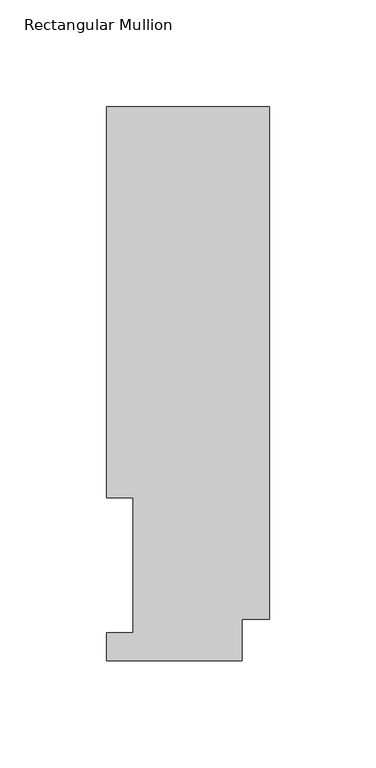
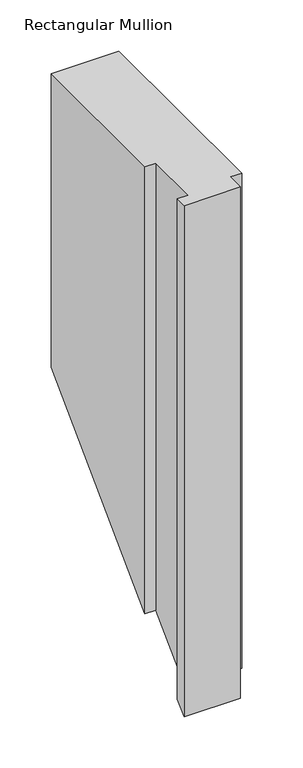
"""IFC4 building model written with IfcOpenShell, lengths in millimetres: member geometry, Rectangular Mullion."""

from ifc_helpers import new_model, si_unit, origin, place, context, project, spatial, faceted_brep, source, transform, mapped, element, save


def rectangular_mullion_d2f6b317(model_context):
    return source(origin(), model_context, "Body", "Brep", [
        faceted_brep([(0.0, 19.5088257, 0.0), (0.0, 259.4586188, 0.0), (-76.2, 259.4586188, 0.0), (-76.2, 76.2992187, 0.0), (-63.8581605, 76.2992187, 0.0), (-63.8581605, 13.1492189, 0.0), (-76.2, 13.1492189, 0.0), (-76.2, -0.0333811, 0.0), (-12.7, -0.0333811, 0.0), (-12.7, 19.5088257, 0.0), (0.0, 19.5088257, -590.0594243), (0.0, 259.4586188, -350.1096312), (-76.2, 259.4586188, -350.1096312), (-76.2, 76.2992187, -533.2690313), (-63.8581605, 76.2992187, -533.2690313), (-63.8581605, 13.1492189, -596.4190311), (-76.2, 13.1492189, -596.4190311), (-76.2, -0.0333811, -609.6016311), (-12.7, -0.0333811, -609.6016311), (-12.7, 19.5088257, -590.0594243)], [[[0, 1, 2, 3, 4, 5, 6, 7, 8, 9]], [[1, 0, 10, 11]], [[2, 1, 11, 12]], [[3, 2, 12, 13]], [[4, 3, 13, 14]], [[5, 4, 14, 15]], [[6, 5, 15, 16]], [[7, 6, 16, 17]], [[8, 7, 17, 18]], [[9, 8, 18, 19]], [[0, 9, 19, 10]], [[10, 19, 18, 17, 16, 15, 14, 13, 12, 11]]]),
    ])


if __name__ == "__main__":
    model = new_model("IFC4")
    model_context = context("Model", 3, world=origin())
    ifc_project = project(units=[si_unit("LENGTHUNIT", "METRE", prefix="MILLI")], contexts=[model_context])
    site = spatial("IfcSite", under=ifc_project)
    building = spatial("IfcBuilding", under=site)
    placement = place(None, origin())
    rectangular_mullion_shape = rectangular_mullion_d2f6b317(model_context)
    element("IfcMember", 1, ObjectType="Rectangular Mullion", at=placement, inside=building, context=model_context, shape_type="MappedRepresentation", body=[
        mapped(rectangular_mullion_shape, transform((0.0, 0.0, 0.0), x_axis=(1.0, 0.0, 0.0), y_axis=(0.0, 1.0, 0.0), z_axis=(0.0, 0.0, 1.0))),
    ])
    save(model, "model.ifc")
